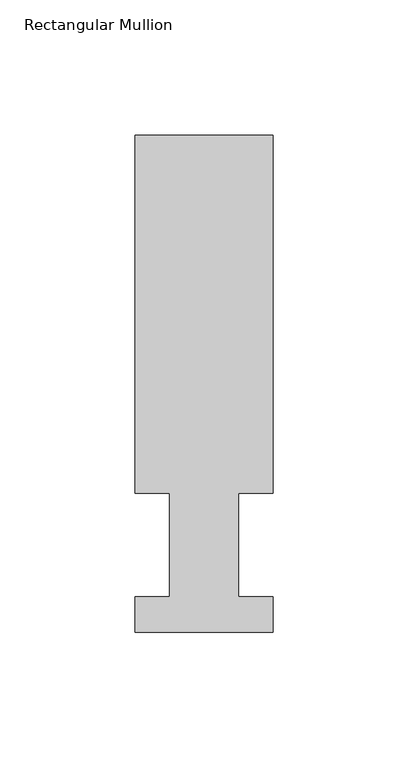
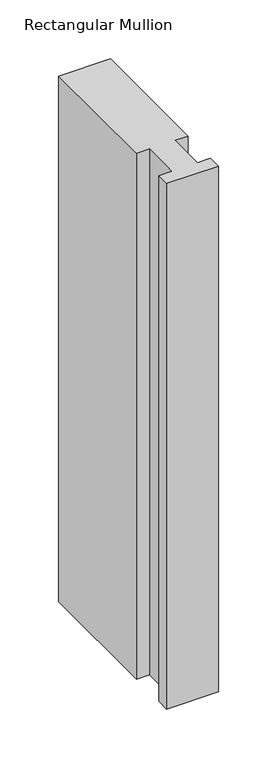
"""IFC4 building model written with IfcOpenShell, lengths in millimetres: member geometry, Rectangular Mullion."""

from ifc_helpers import new_model, si_unit, frame, origin, place, context, project, spatial, polyline, outline, extrude, source, transform, mapped, element, save


def rectangular_mullion_1a390317(model_context):
    return source(origin(), model_context, "Body", "SweptSolid", [
        extrude(outline(polyline([(-50.8, 13.1960937), (-38.1, 13.1960938), (-38.1, 51.2960938), (-50.8, 51.2960937), (-50.8, 183.4446737), (0.0, 183.4446737), (0.0, 51.2960938), (-12.7, 51.2960937), (-12.7, 13.1960938), (0.0, 13.1960938), (0.0, 0.0134937), (-50.8, 0.0134937), (-50.8, 13.1960937)])), frame((0.0, 0.0, -545.357143), z_axis=(0.0, 0.0, 1.0), x_axis=(1.0, 0.0, 0.0)), (0.0, 0.0, 1.0), 545.357143),
    ])


if __name__ == "__main__":
    model = new_model("IFC4")
    model_context = context("Model", 3, world=origin())
    ifc_project = project(units=[si_unit("LENGTHUNIT", "METRE", prefix="MILLI")], contexts=[model_context])
    site = spatial("IfcSite", under=ifc_project)
    building = spatial("IfcBuilding", under=site)
    placement = place(None, origin())
    rectangular_mullion_shape = rectangular_mullion_1a390317(model_context)
    element("IfcMember", 1, ObjectType="Rectangular Mullion", at=placement, inside=building, context=model_context, shape_type="MappedRepresentation", body=[
        mapped(rectangular_mullion_shape, transform((0.0, 0.0, 0.0), x_axis=(1.0, 0.0, 0.0), y_axis=(0.0, 1.0, 0.0), z_axis=(0.0, 0.0, 1.0))),
    ])
    save(model, "model.ifc")
